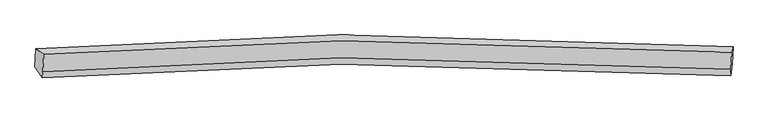
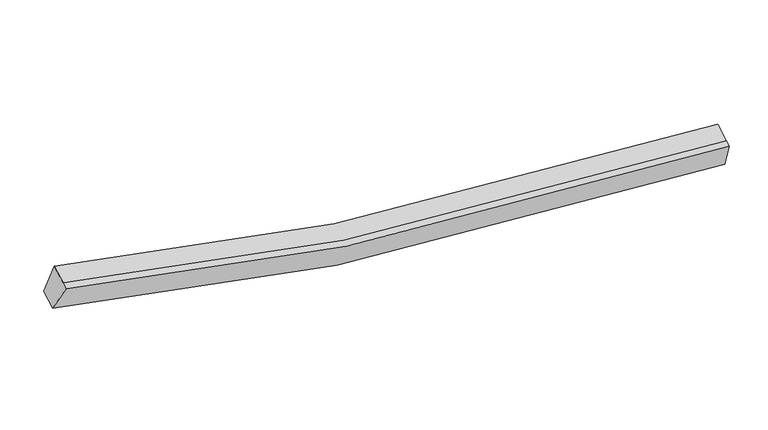
"""IFC4 building model written with IfcOpenShell, lengths in millimetres: proxy geometry."""

from ifc_helpers import new_model, si_unit, frame, origin, place, context, project, spatial, source, transform, mapped, element, save
from ifc_brep_helpers import plane_surface, spline_curve, spline_surface, advanced_brep


def generic_models_95d616a2(model_context):
    return source(origin(), model_context, "Body", "AdvancedBrep", [
        advanced_brep(
        [(-7641.1941169, -1864.4380518, 4115.6099994), (-7451.3040941, -1997.7957009, 4792.2535023), (9163.480289, -1943.5500013, 2696.4954874), (9194.2792042, -1810.7130102, 1994.2884852), (-7472.6403956, -2416.9771214, 4616.5954078), (9142.1439875, -2362.7314219, 2520.8373929), (-7480.1432878, -2564.3819091, 4554.8253892), (9134.6410953, -2510.1362095, 2459.0673743), (-7663.127294, -2295.3459254, 3935.0379314), (9172.3460271, -2241.6208838, 1813.7164171)],
        [
            (0, 1),
            (1, 2, spline_curve(3, [(-7451.3040941, -1997.7957009, 4792.2535023), (-5076.639073219, -1806.255138777, 4079.278203476), (-2677.009954984, -1695.323375989, 3544.670980432), (2845.461916982, -1626.25706504, 2733.268614714), (5984.094259011, -1719.10692737, 2569.289832282), (9163.480289, -1943.5500013, 2696.4954874)], [4, 2, 4], [0.0, 24.38351815006205, 55.538096930172514])),
            (2, 3),
            (3, 0, spline_curve(3, [(9194.2792042, -1810.7130102, 1994.2884852), (5972.725364599, -1583.593396559, 1865.817584483), (2792.431207142, -1489.513809266, 2031.922266845), (-2803.40760163, -1558.967122632, 2853.159663104), (-5234.937883867, -1670.955056356, 3394.162153022), (-7641.1941169, -1864.4380518, 4115.6099994)], [4, 2, 4], [0.0, 31.154578780110466, 55.538096930172514])),
            (1, 4),
            (4, 5, spline_curve(3, [(-7472.6403956, -2416.9771214, 4616.5954078), (-5097.975375187, -2225.436559278, 3903.620109113), (-2698.346256593, -2114.504797184, 3369.012885937), (2824.125615394, -2045.438484652, 2557.610519979), (5962.757956854, -2138.288347921, 2393.631738051), (9142.1439875, -2362.7314219, 2520.8373929)], [4, 2, 4], [0.0, 24.223026484441796, 55.17254665859779])),
            (5, 2),
            (4, 6),
            (6, 7, spline_curve(3, [(-7480.1432878, -2564.3819091, 4554.8253892), (-5105.478267387, -2372.841346978, 3841.850090513), (-2705.849148693, -2261.909584884, 3307.242867437), (2816.622723294, -2192.843272352, 2495.840501479), (5955.255064654, -2285.693135521, 2331.861719451), (9134.6410953, -2510.1362095, 2459.0673743)], [4, 2, 4], [0.0, 24.223026484441792, 55.17254665859778])),
            (7, 5),
            (6, 8),
            (8, 9, spline_curve(3, [(-7663.127294, -2295.3459254, 3935.0379314), (-5256.871060967, -2101.862929956, 3213.590085022), (-2825.34077873, -1989.874996232, 2672.587595004), (2770.498030042, -1920.421682866, 1851.350198745), (5950.792187499, -2014.501270159, 1685.245516383), (9172.3460271, -2241.6208838, 1813.7164171)], [4, 2, 4], [0.0, 24.383518150062596, 55.538096930173765])),
            (9, 7),
            (8, 0),
            (3, 9),
        ],
        [
            spline_surface(3, 3, [[(-7641.1941169, -1864.4380518, 4115.6099994), (-5234.937884211, -1670.955056321, 3394.162152705), (-2803.407601623, -1558.967122342, 2853.159663229), (2792.431207133, -1489.513809637, 2031.922266685), (5972.725364899, -1583.593396409, 1865.817584793), (9194.2792042, -1810.7130102, 1994.2884852)], [(-7577.897442614, -1908.890601498, 4341.157833706), (-5182.171613981, -1716.055083855, 3622.534169733), (-2761.275052661, -1604.419207025, 3083.663435699), (2810.108110275, -1535.094894623, 2265.704382608), (5976.51499619, -1628.764573361, 2100.308334088), (9184.012899131, -1854.992007241, 2228.357485949)], [(-7514.600768386, -1953.343151202, 4566.705667994), (-5129.40534381, -1761.155111395, 3850.906186742), (-2719.142503651, -1649.871291677, 3314.167208167), (2827.785013464, -1580.675979579, 2499.486498528), (5980.304627487, -1673.935750289, 2334.799083336), (9173.746594069, -1899.271004259, 2462.426486651)], [(-7451.3040941, -1997.7957009, 4792.2535023), (-5076.639073581, -1806.25513893, 4079.278203769), (-2677.009954689, -1695.32337636, 3544.670980637), (2845.461916606, -1626.257064566, 2733.268614451), (5984.094258778, -1719.106927242, 2569.28983263), (9163.480289, -1943.5500013, 2696.4954874)]], [4, 4], [4, 2, 4], [0.0, 2.3468501723764614], [0.0, 24.38351815006205, 55.538096930172514]),
            spline_surface(3, 3, [[(-7451.3040941, -1997.7957009, 4792.2535023), (-5076.639073581, -1806.25513893, 4079.278203769), (-2677.009954689, -1695.32337636, 3544.670980637), (2845.461916606, -1626.257064566, 2733.268614451), (5984.094258778, -1719.106927242, 2569.28983263), (9163.480289, -1943.5500013, 2696.4954874)], [(-7458.416194613, -2137.522841077, 4733.70080412), (-5083.751174094, -1945.982279106, 4020.725505589), (-2684.122055202, -1835.050516537, 3486.118282457), (2838.349816093, -1765.984204743, 2674.715916271), (5976.982158264, -1858.834067419, 2510.73713445), (9156.368188487, -2083.277141477, 2637.94278922)], [(-7465.528295087, -2277.249981223, 4675.14810598), (-5090.863274568, -2085.709419253, 3962.17280745), (-2691.234155776, -1974.777656683, 3427.565584217), (2831.237715519, -1905.711344889, 2616.163218032), (5969.870057791, -1998.561207665, 2452.184436311), (9149.256088013, -2223.004281723, 2579.39009108)], [(-7472.6403956, -2416.9771214, 4616.5954078), (-5097.975375081, -2225.43655943, 3903.620109269), (-2698.346256289, -2114.50479686, 3369.012886037), (2824.125615006, -2045.438485066, 2557.610519851), (5962.757957278, -2138.288347842, 2393.63173813), (9142.1439875, -2362.7314219, 2520.8373929)]], [4, 4], [4, 2, 4], [0.0, 1.4927787893967046], [0.0, 24.223026484441796, 55.17254665859779]),
            spline_surface(3, 3, [[(-7472.6403956, -2416.9771214, 4616.5954078), (-5097.975375081, -2225.43655943, 3903.620109269), (-2698.346256289, -2114.50479686, 3369.012886037), (2824.125615006, -2045.438485066, 2557.610519851), (5962.757957278, -2138.288347842, 2393.63173813), (9142.1439875, -2362.7314219, 2520.8373929)], [(-7475.141359656, -2466.112050611, 4596.005401617), (-5100.476339137, -2274.571488641, 3883.030103086), (-2700.847220345, -2163.639726071, 3348.422879854), (2821.62465095, -2094.573414277, 2537.020513668), (5960.256993221, -2187.423277053, 2373.041731947), (9139.643023444, -2411.866351111, 2500.247386717)], [(-7477.642323744, -2515.246979889, 4575.415395383), (-5102.977303225, -2323.706417918, 3862.440096853), (-2703.348184333, -2212.774655349, 3327.83287372), (2819.123686962, -2143.708343555, 2516.430507535), (5957.756029134, -2236.558206231, 2352.451725714), (9137.142059356, -2461.001280289, 2479.657380483)], [(-7480.1432878, -2564.3819091, 4554.8253892), (-5105.478267281, -2372.84134713, 3841.850090669), (-2705.849148389, -2261.90958456, 3307.242867537), (2816.622722906, -2192.843272766, 2495.840501351), (5955.255065078, -2285.693135442, 2331.86171953), (9134.6410953, -2510.1362095, 2459.0673743)]], [4, 4], [4, 2, 4], [0.0, 0.5249343832021023], [0.0, 24.223026484441792, 55.17254665859778]),
            spline_surface(3, 3, [[(-7480.1432878, -2564.3819091, 4554.8253892), (-5105.478267281, -2372.84134713, 3841.850090669), (-2705.849148389, -2261.90958456, 3307.242867537), (2816.622722906, -2192.843272766, 2495.840501351), (5955.255065078, -2285.693135442, 2331.86171953), (9134.6410953, -2510.1362095, 2459.0673743)], [(-7541.137956545, -2474.703247878, 4348.229569904), (-5155.942531969, -2282.515208071, 3632.430088652), (-2745.67969181, -2171.231388353, 3095.691110077), (2801.247825306, -2102.036076255, 2281.010400438), (5953.767439328, -2195.295846965, 2116.322985246), (9147.20940591, -2420.631100934, 2243.950388561)], [(-7602.132625255, -2385.024586622, 4141.633750696), (-5206.406796622, -2192.189068979, 3423.010086723), (-2785.510235302, -2080.553192149, 2884.139352589), (2785.872927634, -2011.228879747, 2066.180299498), (5952.279813548, -2104.898558485, 1900.784250978), (9159.77771649, -2331.125992366, 2028.833402839)], [(-7663.127294, -2295.3459254, 3935.0379314), (-5256.87106131, -2101.862929921, 3213.590084705), (-2825.340778723, -1989.874995942, 2672.587595129), (2770.498030034, -1920.421683237, 1851.350198584), (5950.792187799, -2014.501270009, 1685.245516693), (9172.3460271, -2241.6208838, 1813.7164171)]], [4, 4], [4, 2, 4], [0.0, 2.2965731450949094], [0.0, 24.383518150062596, 55.538096930173765]),
            spline_surface(3, 3, [[(-7663.127294, -2295.3459254, 3935.0379314), (-5256.87106131, -2101.862929921, 3213.590084705), (-2825.340778723, -1989.874995942, 2672.587595129), (2770.498030034, -1920.421683237, 1851.350198584), (5950.792187799, -2014.501270009, 1685.245516693), (9172.3460271, -2241.6208838, 1813.7164171)], [(-7655.816234972, -2151.709967536, 3995.228620753), (-5249.560002282, -1958.226972057, 3273.780774059), (-2818.029719695, -1846.239038079, 2732.778284482), (2777.809089062, -1776.785725373, 1911.540887938), (5958.103246827, -1870.865312145, 1745.436206047), (9179.657086128, -2097.984925936, 1873.907106453)], [(-7648.505175928, -2008.074009664, 4055.419310047), (-5242.248943239, -1814.591014185, 3333.971463352), (-2810.718660651, -1702.603080206, 2792.968973876), (2785.120148105, -1633.149767501, 1971.731577331), (5965.414305871, -1727.229354273, 1805.62689544), (9186.968145172, -1954.348968064, 1934.097795847)], [(-7641.1941169, -1864.4380518, 4115.6099994), (-5234.937884211, -1670.955056321, 3394.162152705), (-2803.407601623, -1558.967122342, 2853.159663229), (2792.431207133, -1489.513809637, 2031.922266685), (5972.725364899, -1583.593396409, 1865.817584793), (9194.2792042, -1810.7130102, 1994.2884852)]], [4, 4], [4, 2, 4], [0.0, 1.5345387519053912], [0.0, 24.544010100568336, 55.90364785062933]),
            plane_surface(frame((9166.1866539, -2126.5050262, 2240.891941), z_axis=(0.9974465843510869, -0.06402708019346434, 0.0316361244189303), x_axis=(0.05386418832991723, 0.3835933224237582, -0.9219299388822677))),
            plane_surface(frame((-7558.9421982, -2180.4903968, 4349.4317056), z_axis=(-0.9640892527665439, -0.059399348171385515, 0.25885059423702667), x_axis=(-0.04689307605667456, -0.9212799227129552, -0.38606261593678604))),
        ],
        [
            (0, [[1, 2, 3, 4]]),
            (1, [[5, 6, 7, -2]]),
            (2, [[8, 9, 10, -6]]),
            (3, [[11, 12, 13, -9]]),
            (4, [[14, -4, 15, -12]]),
            (5, [[-13, -15, -3, -7, -10]]),
            (6, [[-14, -11, -8, -5, -1]]),
        ],
    ),
    ])


if __name__ == "__main__":
    model = new_model("IFC4")
    model_context = context("Model", 3, world=origin())
    ifc_project = project(units=[si_unit("LENGTHUNIT", "METRE", prefix="MILLI")], contexts=[model_context])
    site = spatial("IfcSite", under=ifc_project)
    building = spatial("IfcBuilding", under=site)
    placement = place(None, origin())
    generic_models_shape = generic_models_95d616a2(model_context)
    element("IfcBuildingElementProxy", 1, Name="Generic Models", at=placement, inside=building, context=model_context, shape_type="MappedRepresentation", body=[
        mapped(generic_models_shape, transform((0.0, 0.0, 0.0), x_axis=(1.0, 0.0, 0.0), y_axis=(0.0, 1.0, 0.0), z_axis=(0.0, 0.0, 1.0))),
    ])
    save(model, "model.ifc")
